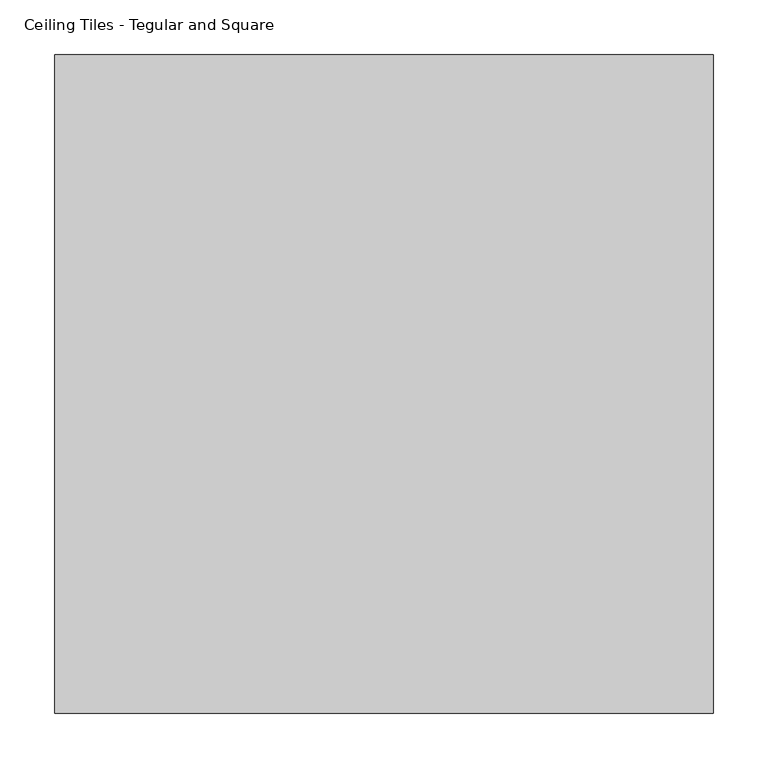
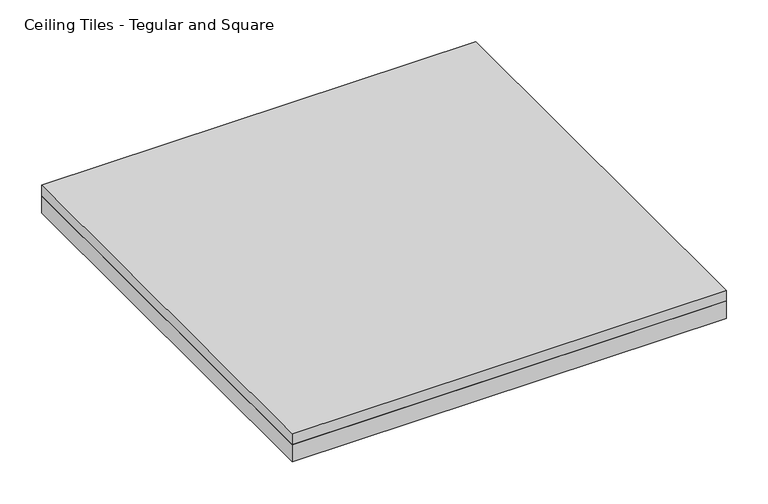
"""IFC4 building model written with IfcOpenShell, lengths in millimetres: proxy geometry, Ceiling Tiles - Tegular and Square."""

from ifc_helpers import new_model, si_unit, frame, origin, origin_with_axes, place, context, project, spatial, polyline, outline, extrude, source, transform, mapped, element, save


def ceiling_tiles_tegular_and_square_ccb7b024(model_context):
    return source(origin(), model_context, "Body", "SweptSolid", [
        extrude(outline(polyline([(301.625, 301.625), (301.625, -301.625), (-301.625, -301.625), (-301.625, 301.625), (301.625, 301.625)])), origin_with_axes(), (0.0, 0.0, 1.0), 25.4),
        extrude(outline(polyline([(-301.625, 301.625), (301.625, 301.625), (301.625, -301.625), (-301.625, -301.625), (-301.625, 301.625)])), frame((0.0, 0.0, 25.4), z_axis=(0.0, 0.0, 1.0), x_axis=(1.0, 0.0, 0.0)), (0.0, 0.0, 1.0), 15.875),
    ])


if __name__ == "__main__":
    model = new_model("IFC4")
    model_context = context("Model", 3, world=origin())
    ifc_project = project(units=[si_unit("LENGTHUNIT", "METRE", prefix="MILLI")], contexts=[model_context])
    site = spatial("IfcSite", under=ifc_project)
    building = spatial("IfcBuilding", under=site)
    placement = place(None, origin())
    ceiling_tiles_tegular_and_square_shape = ceiling_tiles_tegular_and_square_ccb7b024(model_context)
    element("IfcBuildingElementProxy", 1, Name="Ceiling Tiles - Tegular and Square", ObjectType="Ceiling Tiles - Tegular and Square", at=placement, inside=building, context=model_context, shape_type="MappedRepresentation", body=[
        mapped(ceiling_tiles_tegular_and_square_shape, transform((0.0, 0.0, 0.0), x_axis=(1.0, 0.0, 0.0), y_axis=(0.0, 1.0, 0.0), z_axis=(0.0, 0.0, 1.0))),
    ])
    save(model, "model.ifc")
